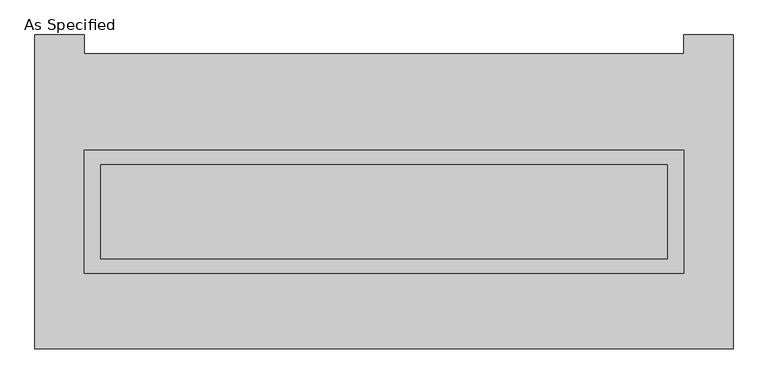
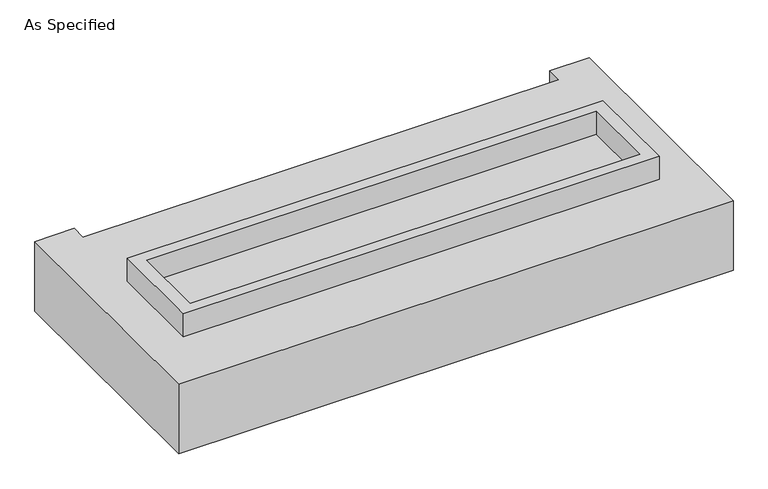
"""IFC4 building model written with IfcOpenShell, lengths in millimetres: proxy geometry, As Specified."""

from ifc_helpers import new_model, si_unit, frame, origin, place, context, project, spatial, polyline, outline, extrude, faceted_brep, source, transform, mapped, element, save


def as_specified_56e72b33(model_context):
    return source(origin(), model_context, "Body", "SolidModel", [
        extrude(outline(polyline([(1612.9, 273.05), (1612.9, -387.35), (-1612.9, -387.35), (-1612.9, 273.05), (1612.9, 273.05)]), holes=[polyline([(1524.0, 196.85), (-1524.0, 196.85), (-1524.0, -311.15), (1524.0, -311.15), (1524.0, 196.85)])]), frame((0.0, 0.0, -25.4), z_axis=(0.0, 0.0, 1.0), x_axis=(1.0, 0.0, 0.0)), (0.0, 0.0, 1.0), 165.1),
        extrude(outline(polyline([(1524.0, 196.85), (1524.0, -311.15), (-1524.0, -311.15), (-1524.0, 196.85), (1524.0, 196.85)])), frame((0.0, 0.0, -30.3609375), z_axis=(0.0, 0.0, 1.0), x_axis=(1.0, 0.0, 0.0)), (0.0, 0.0, 1.0), 4.9609375),
        faceted_brep([(1879.6, -793.75, -523.875), (-1879.6, -793.75, -523.875), (-1879.6, 895.35, -523.875), (-1612.9, 895.35, -523.875), (-1612.9, 793.75, -523.875), (1612.9, 793.75, -523.875), (1612.9, 895.35, -523.875), (1879.6, 895.35, -523.875), (-1879.6, -793.75, -25.4), (1879.6, -793.75, -25.4), (1879.6, 895.35, -25.4), (1612.9, 895.35, -25.4), (1612.9, 793.75, -25.4), (-1612.9, 793.75, -25.4), (-1612.9, 895.35, -25.4), (-1879.6, 895.35, -25.4), (-1612.9, -387.35, -25.4), (-1612.9, 273.05, -25.4), (1612.9, 273.05, -25.4), (1612.9, -387.35, -25.4), (1612.9, 273.05, -498.475), (-1612.9, 273.05, -498.475), (-1612.9, -387.35, -498.475), (1612.9, -387.35, -498.475)], [[[0, 1, 2, 3, 4, 5, 6, 7]], [[8, 9, 10, 11, 12, 13, 14, 15], [16, 17, 18, 19]], [[4, 13, 12, 5]], [[1, 8, 15, 2]], [[10, 9, 0, 7]], [[20, 21, 22, 23]], [[22, 21, 17, 16]], [[21, 20, 18, 17]], [[20, 23, 19, 18]], [[16, 19, 23, 22]], [[1, 0, 9, 8]], [[4, 3, 14, 13]], [[3, 2, 15, 14]], [[6, 5, 12, 11]], [[7, 6, 11, 10]]]),
    ])


if __name__ == "__main__":
    model = new_model("IFC4")
    model_context = context("Model", 3, world=origin())
    ifc_project = project(units=[si_unit("LENGTHUNIT", "METRE", prefix="MILLI")], contexts=[model_context])
    site = spatial("IfcSite", under=ifc_project)
    building = spatial("IfcBuilding", under=site)
    placement = place(None, origin())
    as_specified_shape = as_specified_56e72b33(model_context)
    element("IfcBuildingElementProxy", 1, Name="As Specified", ObjectType="As Specified", at=placement, inside=building, context=model_context, shape_type="MappedRepresentation", body=[
        mapped(as_specified_shape, transform((0.0, 0.0, 0.0), x_axis=(1.0, 0.0, 0.0), y_axis=(0.0, 1.0, 0.0), z_axis=(0.0, 0.0, 1.0))),
    ])
    save(model, "model.ifc")
